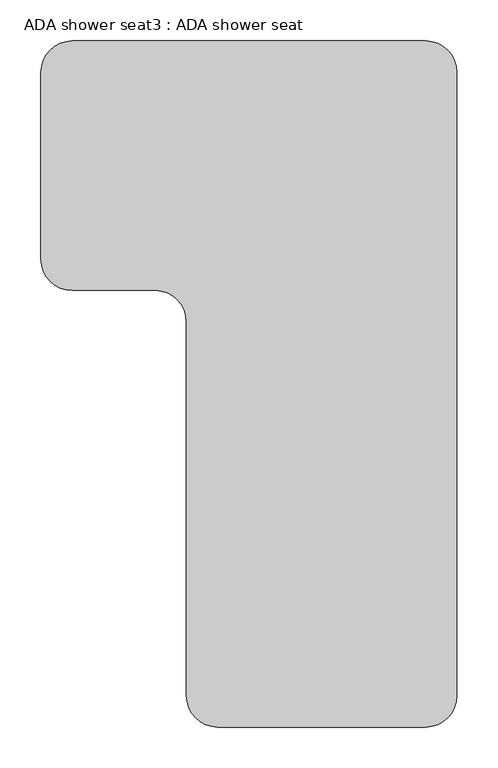
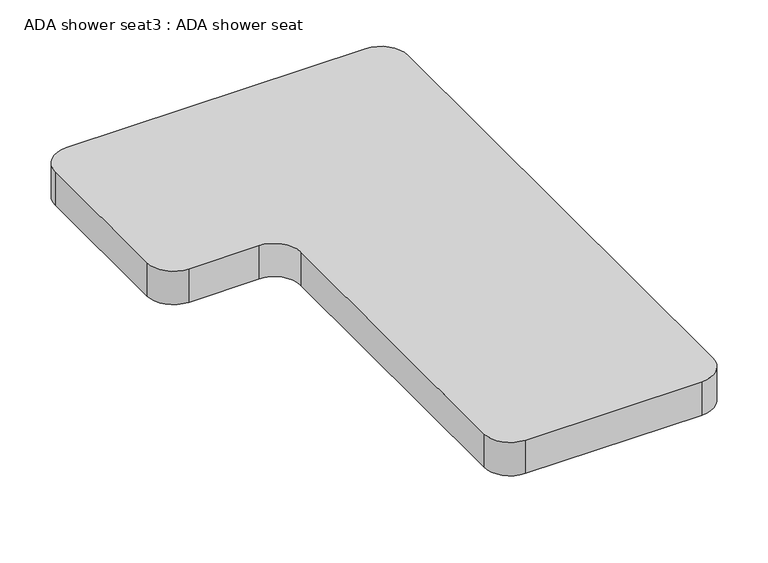
"""IFC4 building model written with IfcOpenShell, lengths in millimetres: proxy geometry, ADA shower seat3 : ADA shower seat."""

from ifc_helpers import new_model, si_unit, point, frame, frame_2d, origin, place, context, project, spatial, polyline, circle_curve, trimmed, segment, composite_curve, outline, extrude, source, transform, mapped, element, save


def ada_shower_seat3_ada_shower_seat_177e8a26(model_context):
    return source(origin(), model_context, "Body", "SweptSolid", [
        extrude(outline(composite_curve([segment(polyline([(922538.0976142, 52304.95), (922969.8976142, 52304.95)]), True, "CONTINUOUS"), segment(trimmed(circle_curve(frame_2d((922969.8976142, 52266.85)), 38.1), [point((922969.8976142, 52304.95))], [point((923007.9976142, 52266.85))], False, "CARTESIAN"), True, "CONTINUOUS"), segment(polyline([(923007.9976142, 52266.85), (923007.9976142, 51504.85)]), True, "CONTINUOUS"), segment(trimmed(circle_curve(frame_2d((922969.8976142, 51504.85)), 38.1), [point((923007.9976142, 51504.85))], [point((922969.8976142, 51466.75))], False, "CARTESIAN"), True, "CONTINUOUS"), segment(polyline([(922969.8976142, 51466.75), (922715.8976142, 51466.75)]), True, "CONTINUOUS"), segment(trimmed(circle_curve(frame_2d((922715.8976142, 51504.85)), 38.1), [point((922715.8976142, 51466.75))], [point((922677.7976142, 51504.85))], False, "CARTESIAN"), True, "CONTINUOUS"), segment(polyline([(922677.7976142, 51504.85), (922677.7976142, 51962.05)]), True, "CONTINUOUS"), segment(trimmed(circle_curve(frame_2d((922639.6976142, 51962.05)), 38.1), [point((922677.7976142, 51962.05))], [point((922639.6976142, 52000.15))], True, "CARTESIAN"), True, "CONTINUOUS"), segment(polyline([(922639.6976142, 52000.15), (922538.0976142, 52000.15)]), True, "CONTINUOUS"), segment(trimmed(circle_curve(frame_2d((922538.0976142, 52038.25)), 38.1), [point((922538.0976142, 52000.15))], [point((922499.9976142, 52038.25))], False, "CARTESIAN"), True, "CONTINUOUS"), segment(polyline([(922499.9976142, 52038.25), (922499.9976142, 52266.85)]), True, "CONTINUOUS"), segment(trimmed(circle_curve(frame_2d((922538.0976142, 52266.85)), 38.1), [point((922499.9976142, 52266.85))], [point((922538.0976142, 52304.95))], False, "CARTESIAN"), True, "CONTINUOUS")], self_intersect=False)), frame((0.0, 0.0, 406.4), z_axis=(0.0, 0.0, 1.0), x_axis=(1.0, 0.0, 0.0)), (0.0, 0.0, 1.0), 50.8),
    ])


if __name__ == "__main__":
    model = new_model("IFC4")
    model_context = context("Model", 3, world=origin())
    ifc_project = project(units=[si_unit("LENGTHUNIT", "METRE", prefix="MILLI")], contexts=[model_context])
    site = spatial("IfcSite", under=ifc_project)
    building = spatial("IfcBuilding", under=site)
    placement = place(None, origin())
    ada_shower_seat3_ada_shower_seat_shape = ada_shower_seat3_ada_shower_seat_177e8a26(model_context)
    element("IfcBuildingElementProxy", 1, Name="ADA shower seat3 : ADA shower seat", ObjectType="ADA shower seat3 : ADA shower seat", at=placement, inside=building, context=model_context, shape_type="MappedRepresentation", body=[
        mapped(ada_shower_seat3_ada_shower_seat_shape, transform((0.0, 0.0, 0.0), x_axis=(1.0, 0.0, 0.0), y_axis=(0.0, 1.0, 0.0), z_axis=(0.0, 0.0, 1.0))),
    ])
    save(model, "model.ifc")
